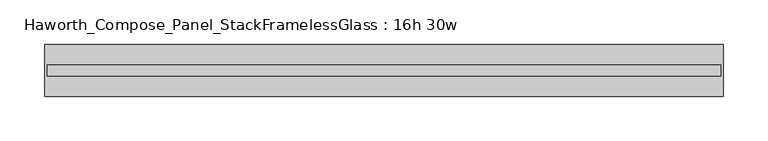
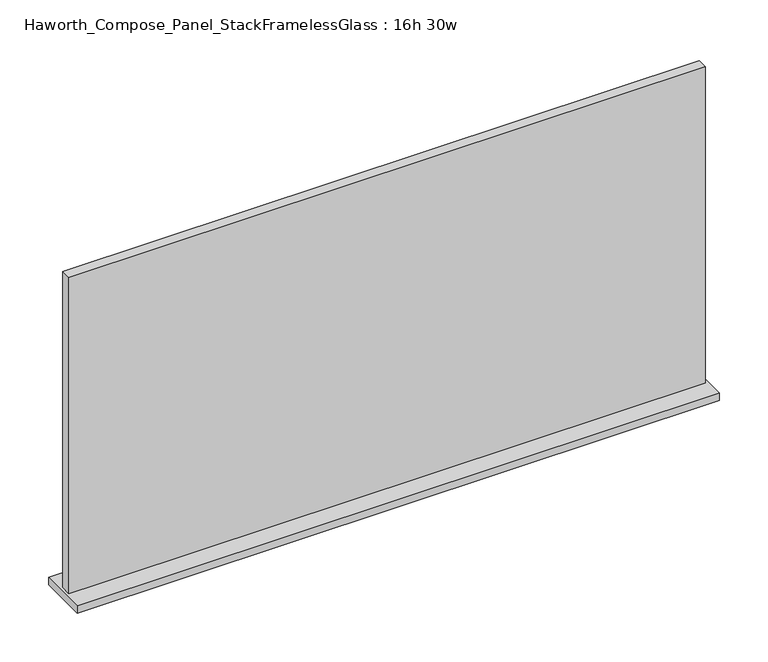
"""IFC4 building model written with IfcOpenShell, lengths in millimetres: furniture geometry, Haworth_Compose_Panel_StackFramelessGlass : 16h 30w."""

from ifc_helpers import new_model, si_unit, frame, origin, place, context, project, spatial, polyline, outline, extrude, source, transform, mapped, element, save


def haworth_compose_panel_stackframelessglass_16h_30w_03bf8655(model_context):
    return source(origin(), model_context, "Body", "SweptSolid", [
        extrude(outline(polyline([(380.2652902, -27.3093594), (-375.3847098, -27.3093594), (-375.3847098, -14.6093594), (380.2652902, -14.6093594), (380.2652902, -27.3093594)])), frame((0.0, 0.0, 1279.525), z_axis=(0.0, 0.0, 1.0), x_axis=(1.0, 0.0, 0.0)), (0.0, 0.0, 1.0), 396.875),
        extrude(outline(polyline([(-378.5597098, -50.3281094), (-378.5597098, 8.4093906), (383.4402902, 8.4093906), (383.4402902, -50.3281094), (-378.5597098, -50.3281094)])), frame((0.0, 0.0, 1270.0), z_axis=(0.0, 0.0, 1.0), x_axis=(1.0, 0.0, 0.0)), (0.0, 0.0, 1.0), 9.525),
    ])


if __name__ == "__main__":
    model = new_model("IFC4")
    model_context = context("Model", 3, world=origin())
    ifc_project = project(units=[si_unit("LENGTHUNIT", "METRE", prefix="MILLI")], contexts=[model_context])
    site = spatial("IfcSite", under=ifc_project)
    building = spatial("IfcBuilding", under=site)
    placement = place(None, origin())
    haworth_compose_panel_stackframelessglass_16h_30w_shape = haworth_compose_panel_stackframelessglass_16h_30w_03bf8655(model_context)
    element("IfcFurniture", 1, ObjectType="Haworth_Compose_Panel_StackFramelessGlass : 16h 30w", at=placement, inside=building, context=model_context, shape_type="MappedRepresentation", body=[
        mapped(haworth_compose_panel_stackframelessglass_16h_30w_shape, transform((0.0, 0.0, 0.0), x_axis=(1.0, 0.0, 0.0), y_axis=(0.0, 1.0, 0.0), z_axis=(0.0, 0.0, 1.0))),
    ])
    save(model, "model.ifc")
